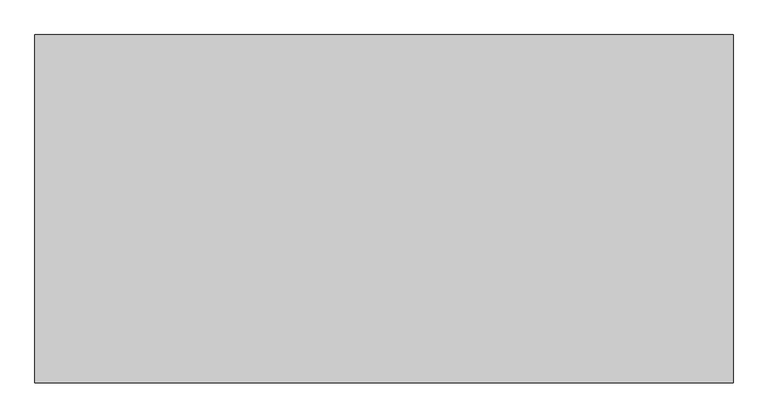
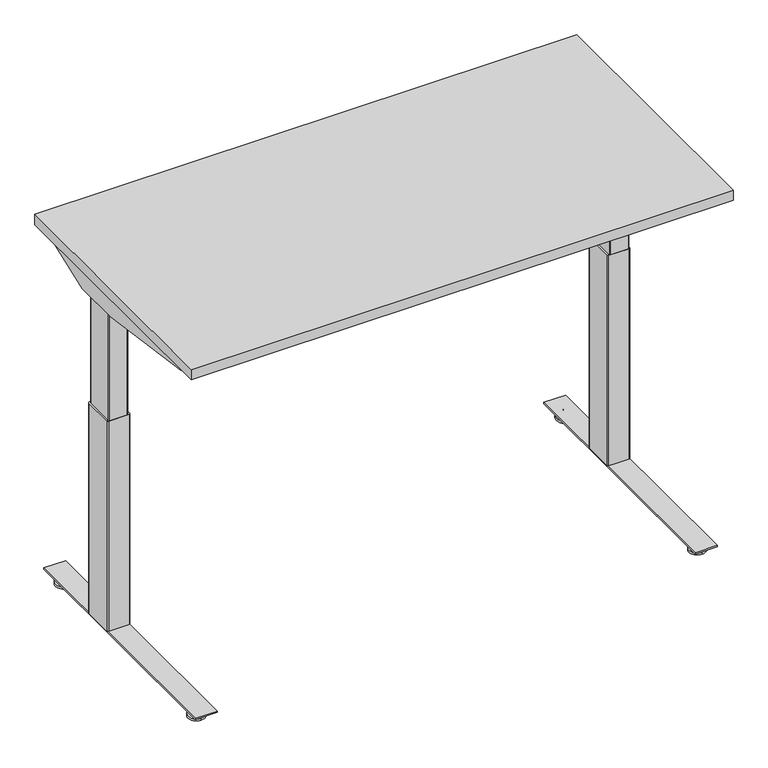
"""IFC4 building model written with IfcOpenShell, lengths in millimetres: furniture geometry."""

from ifc_helpers import new_model, si_unit, point, frame, frame_2d, origin, place, context, project, spatial, polyline, circle_curve, trimmed, segment, composite_curve, outline, extrude, source, transform, mapped, element, save
from ifc_brep_helpers import plane_surface, cylinder_surface, revolved_surface, advanced_brep


def furniture_a51017b5(model_context):
    return source(origin(), model_context, "Body", "SolidModel", [
        extrude(outline(composite_curve([segment(polyline([(24.0299808, 91.9126008), (24.0299808, 89.2526023), (15.0465732, 89.2526023)]), True, "CONTINUOUS"), segment(trimmed(circle_curve(frame_2d((15.0465732, 88.1760101)), 1.0765922), [point((15.0465732, 89.2526023))], [point((13.969981, 88.1760101))], True, "CARTESIAN"), True, "CONTINUOUS"), segment(polyline([(13.969981, 88.1760101), (13.969981, 57.733733)]), True, "CONTINUOUS"), segment(trimmed(circle_curve(frame_2d((14.981112, 57.733733)), 1.011131), [point((13.969981, 57.733733))], [point((14.981112, 56.7226021))], True, "CARTESIAN"), True, "CONTINUOUS"), segment(polyline([(14.981112, 56.7226021), (24.0299808, 56.7226021), (24.0299808, 54.0625991), (14.9699813, 54.0625991), (13.1399808, 54.5529489), (11.8003278, 55.8926019), (11.3099815, 57.7226046), (11.3099815, 88.2526043), (11.8003278, 90.0826025), (13.1399808, 91.4222555), (14.9699813, 91.9126008), (24.0299808, 91.9126008)]), True, "CONTINUOUS")], self_intersect=False)), frame((0.0, -646.1468746, 0.0), z_axis=(0.0, 1.0, 0.0), x_axis=(0.0, 0.0, 1.0)), (0.0, 0.0, 1.0), 507.9999924),
        advanced_brep(
        [(71.6136021, -726.0252467, 9.1e-06), (71.6136021, -703.4479001, 9.1e-06), (71.6136021, -680.8705535, 9.1e-06), (71.6136021, -726.0109304, 5.8932313), (71.6136021, -680.8848697, 5.8932313), (71.6136021, -706.9684154, 9.6997702), (71.6136021, -699.9273847, 9.6997702), (71.6136021, -706.9684154, 23.9856018), (71.6136021, -699.9273847, 23.9856018), (71.6136021, -703.4479001, 23.9856018)],
        [
            (0, 1),
            (1, 2),
            (2, 0, circle_curve(frame((71.6136021, -703.4479001, 9.1e-06), z_axis=(0.0, 0.0, -1.0), x_axis=(0.0, 1.0, 0.0)), 22.5773466)),
            (0, 2, circle_curve(frame((71.6136021, -703.4479001, 9.1e-06), z_axis=(0.0, 0.0, -1.0), x_axis=(0.0, 1.0, 0.0)), 22.5773466)),
            (3, 0),
            (2, 4),
            (4, 3, circle_curve(frame((71.6136021, -703.4479001, 5.8932313), z_axis=(0.0, 0.0, -1.0), x_axis=(0.0, 1.0, 0.0)), 22.5630303)),
            (3, 4, circle_curve(frame((71.6136021, -703.4479001, 5.8932313), z_axis=(0.0, 0.0, -1.0), x_axis=(0.0, 1.0, 0.0)), 22.5630303)),
            (5, 3),
            (4, 6),
            (6, 5, circle_curve(frame((71.6136021, -703.4479001, 9.6997702), z_axis=(0.0, 0.0, -1.0), x_axis=(0.0, 1.0, 0.0)), 3.5205153)),
            (5, 6, circle_curve(frame((71.6136021, -703.4479001, 9.6997702), z_axis=(0.0, 0.0, -1.0), x_axis=(0.0, 1.0, 0.0)), 3.5205153)),
            (7, 5),
            (6, 8),
            (8, 7, circle_curve(frame((71.6136021, -703.4479001, 23.9856018), z_axis=(0.0, 0.0, -1.0), x_axis=(0.0, 1.0, 0.0)), 3.5205153)),
            (7, 8, circle_curve(frame((71.6136021, -703.4479001, 23.9856018), z_axis=(0.0, 0.0, -1.0), x_axis=(0.0, 1.0, 0.0)), 3.5205153)),
            (9, 7),
            (8, 9),
        ],
        [
            plane_surface(frame((71.6136021, -703.4479001, 9.1e-06), z_axis=(0.0, 0.0, -1.0), x_axis=(0.0, 1.0, 0.0))),
            revolved_surface(polyline([(71.6136021, -680.8705535, 9.1e-06), (71.6136021, -680.8848697, 5.8932313)]), (71.6136021, -703.4479001, -6.3499909), (0.0, 0.0, 1.0)),
            revolved_surface(polyline([(71.6136021, -680.8848697, 5.8932313), (71.6136021, -699.9273847, 9.6997702)]), (71.6136021, -703.4479001, -6.3499909), (0.0, 0.0, 1.0)),
            cylinder_surface(frame((71.6136021, -703.4479001, -6.3499909), z_axis=(0.0, 0.0, 1.0), x_axis=(0.0, 1.0, 0.0)), 3.5205153),
            plane_surface(frame((71.6136021, -703.4479001, 23.9856018), z_axis=(0.0, 0.0, 1.0), x_axis=(0.0, 1.0, 0.0))),
        ],
        [
            (0, [[1, 2, 3]]),
            (0, [[-2, -1, 4]]),
            (1, [[5, -3, 6, 7]]),
            (1, [[-6, -4, -5, 8]]),
            (2, [[9, -7, 10, 11]]),
            (2, [[-10, -8, -9, 12]]),
            (3, [[13, -11, 14, 15]]),
            (3, [[-14, -12, -13, 16]]),
            (4, [[17, -15, 18]]),
            (4, [[-18, -16, -17]]),
        ],
    ),
        advanced_brep(
        [(71.6136021, -80.677371, 23.9447896), (71.6136021, -84.2813634, 23.9447896), (71.6136021, -77.0733786, 23.9447896), (71.6136021, -103.3167838, 9.1e-06), (71.6136021, -80.677371, 9.1e-06), (71.6136021, -58.0379582, 9.1e-06), (71.6136021, -103.3024934, 5.8932313), (71.6136021, -58.0522486, 5.8932313), (71.6136021, -84.2599821, 9.6997702), (71.6136021, -77.0947599, 9.6997702)],
        [
            (0, 1),
            (1, 2, circle_curve(frame((71.6136021, -80.677371, 23.9447896), z_axis=(0.0, 0.0, 1.0), x_axis=(0.0, 1.0, 0.0)), 3.6039924)),
            (2, 0),
            (2, 1, circle_curve(frame((71.6136021, -80.677371, 23.9447896), z_axis=(0.0, 0.0, 1.0), x_axis=(0.0, 1.0, 0.0)), 3.6039924)),
            (3, 4),
            (4, 5),
            (5, 3, circle_curve(frame((71.6136021, -80.677371, 9.1e-06), z_axis=(0.0, 0.0, -1.0), x_axis=(0.0, 1.0, 0.0)), 22.6394128)),
            (3, 5, circle_curve(frame((71.6136021, -80.677371, 9.1e-06), z_axis=(0.0, 0.0, -1.0), x_axis=(0.0, 1.0, 0.0)), 22.6394128)),
            (6, 3),
            (5, 7),
            (7, 6, circle_curve(frame((71.6136021, -80.677371, 5.8932313), z_axis=(0.0, 0.0, -1.0), x_axis=(0.0, 1.0, 0.0)), 22.6251224)),
            (6, 7, circle_curve(frame((71.6136021, -80.677371, 5.8932313), z_axis=(0.0, 0.0, -1.0), x_axis=(0.0, 1.0, 0.0)), 22.6251224)),
            (8, 6),
            (7, 9),
            (9, 8, circle_curve(frame((71.6136021, -80.677371, 9.6997702), z_axis=(0.0, 0.0, -1.0), x_axis=(0.0, 1.0, 0.0)), 3.5826111)),
            (8, 9, circle_curve(frame((71.6136021, -80.677371, 9.6997702), z_axis=(0.0, 0.0, -1.0), x_axis=(0.0, 1.0, 0.0)), 3.5826111)),
            (1, 8),
            (9, 2),
        ],
        [
            plane_surface(frame((71.6136021, -80.677371, 23.9447896), z_axis=(0.0, 0.0, 1.0), x_axis=(0.0, 1.0, 0.0))),
            plane_surface(frame((71.6136021, -80.677371, 9.1e-06), z_axis=(0.0, 0.0, -1.0), x_axis=(0.0, 1.0, 0.0))),
            revolved_surface(polyline([(71.6136021, -58.0379582, 9.1e-06), (71.6136021, -58.0522486, 5.8932313)]), (71.6136021, -80.677371, -4.2199069), (0.0, 0.0, 1.0)),
            revolved_surface(polyline([(71.6136021, -58.0522486, 5.8932313), (71.6136021, -77.0947599, 9.6997702)]), (71.6136021, -80.677371, -4.2199069), (0.0, 0.0, 1.0)),
            cylinder_surface(frame((71.6136021, -80.677371, -4.2199069), z_axis=(0.0, 0.0, 1.0), x_axis=(0.0, 1.0, 0.0)), 3.5617141),
        ],
        [
            (0, [[1, 2, 3]]),
            (0, [[-3, 4, -1]]),
            (1, [[5, 6, 7]]),
            (1, [[-6, -5, 8]]),
            (2, [[9, -7, 10, 11]]),
            (2, [[-10, -8, -9, 12]]),
            (3, [[13, -11, 14, 15]]),
            (3, [[-14, -12, -13, 16]]),
            (4, [[17, -15, 18, -2]]),
            (4, [[-18, -16, -17, -4]]),
        ],
    ),
        extrude(outline(polyline([(42.9876029, -36.5468837), (102.9576025, -36.5468837), (102.9576025, -747.7468867), (42.9876029, -747.7468867), (42.9876029, -36.5468837)])), frame((0.0, 0.0, 24.0299808), z_axis=(0.0, 0.0, 1.0), x_axis=(1.0, 0.0, 0.0)), (0.0, 0.0, 1.0), 4.1800001),
        extrude(outline(composite_curve([segment(polyline([(98.1047994, -253.1740482), (98.1047994, -335.6776259)]), True, "CONTINUOUS"), segment(trimmed(circle_curve(frame_2d((95.8187994, -335.6776259)), 2.286), [point((98.1047994, -335.6776259))], [point((95.8187994, -337.9636259))], False, "CARTESIAN"), True, "CONTINUOUS"), segment(polyline([(95.8187994, -337.9636259), (47.5023125, -337.9636259)]), True, "CONTINUOUS"), segment(trimmed(circle_curve(frame_2d((47.5023125, -335.6776259)), 2.286), [point((47.5023125, -337.9636259))], [point((45.2163125, -335.6776259))], False, "CARTESIAN"), True, "CONTINUOUS"), segment(polyline([(45.2163125, -335.6776259), (45.2163125, -253.0141955)]), True, "CONTINUOUS"), segment(trimmed(circle_curve(frame_2d((47.5023125, -253.1740482)), 2.2915822), [point((45.2163125, -253.0141955))], [point((47.3424598, -250.8880482))], False, "CARTESIAN"), True, "CONTINUOUS"), segment(polyline([(47.3424598, -250.8880482), (95.8187994, -250.8880482)]), True, "CONTINUOUS"), segment(trimmed(circle_curve(frame_2d((95.8187994, -253.1740482)), 2.286), [point((95.8187994, -250.8880482))], [point((98.1047994, -253.1740482))], False, "CARTESIAN"), True, "CONTINUOUS")], self_intersect=False)), frame((0.0, 0.0, 631.6980091), z_axis=(0.0, 0.0, 1.0), x_axis=(1.0, 0.0, 0.0)), (0.0, 0.0, 1.0), 368.3819446),
        extrude(outline(composite_curve([segment(polyline([(44.6584207, -247.961107), (100.2656021, -247.961107)]), True, "CONTINUOUS"), segment(trimmed(circle_curve(frame_2d((100.2656021, -251.009107)), 3.048), [point((100.2656021, -247.961107))], [point((103.3136021, -251.009107))], False, "CARTESIAN"), True, "CONTINUOUS"), segment(polyline([(103.3136021, -251.009107), (103.3136021, -334.907113)]), True, "CONTINUOUS"), segment(trimmed(circle_curve(frame_2d((100.2656021, -334.907113)), 3.048), [point((103.3136021, -334.907113))], [point((100.2635382, -337.9551123))], False, "CARTESIAN"), True, "CONTINUOUS"), segment(polyline([(100.2635382, -337.9551123), (44.638999, -337.9174476)]), True, "CONTINUOUS"), segment(trimmed(circle_curve(frame_2d((44.6410511, -334.886818)), 3.0306304), [point((44.638999, -337.9174476))], [point((41.6104207, -334.886818))], False, "CARTESIAN"), True, "CONTINUOUS"), segment(polyline([(41.6104207, -334.886818), (41.6104207, -251.009107)]), True, "CONTINUOUS"), segment(trimmed(circle_curve(frame_2d((44.6584207, -251.009107)), 3.048), [point((41.6104207, -251.009107))], [point((44.6584207, -247.961107))], False, "CARTESIAN"), True, "CONTINUOUS")], self_intersect=False)), frame((0.0, 0.0, 28.209981), z_axis=(0.0, 0.0, 1.0), x_axis=(1.0, 0.0, 0.0)), (0.0, 0.0, 1.0), 603.4880281),
        extrude(outline(composite_curve([segment(polyline([(24.0299717, 1409.9357036), (14.9699722, 1409.9357036), (13.1399717, 1410.4260488), (11.8003187, 1411.7657018), (11.3099724, 1413.5957), (11.3099724, 1444.1256997), (11.8003187, 1445.9557024), (13.1399717, 1447.2953554), (14.9699722, 1447.7857052), (24.0299717, 1447.7857052), (24.0299717, 1445.1257022), (14.9811029, 1445.1257022)]), True, "CONTINUOUS"), segment(trimmed(circle_curve(frame_2d((14.9811029, 1444.1145713)), 1.011131), [point((14.9811029, 1445.1257022))], [point((13.9699719, 1444.1145713))], True, "CARTESIAN"), True, "CONTINUOUS"), segment(polyline([(13.9699719, 1444.1145713), (13.9699719, 1413.6722942)]), True, "CONTINUOUS"), segment(trimmed(circle_curve(frame_2d((15.0465641, 1413.6722942)), 1.0765922), [point((13.9699719, 1413.6722942))], [point((15.0465641, 1412.595702))], True, "CARTESIAN"), True, "CONTINUOUS"), segment(polyline([(15.0465641, 1412.595702), (24.0299717, 1412.595702), (24.0299717, 1409.9357036)]), True, "CONTINUOUS")], self_intersect=False)), frame((0.0, -646.1468746, 0.0), z_axis=(0.0, 1.0, 0.0), x_axis=(0.0, 0.0, 1.0)), (0.0, 0.0, 1.0), 507.9999924),
        advanced_brep(
        [(1430.2347023, -726.0252467, 0.0), (1430.2347023, -680.8705535, 0.0), (1430.2347023, -703.4479001, 0.0), (1430.2347023, -726.0109304, 5.8932222), (1430.2347023, -680.8848697, 5.8932222), (1430.2347023, -706.9684154, 9.6997611), (1430.2347023, -699.9273847, 9.6997611), (1430.2347023, -706.9684154, 23.9855927), (1430.2347023, -699.9273847, 23.9855927), (1430.2347023, -703.4479001, 23.9855927)],
        [
            (0, 1, circle_curve(frame((1430.2347023, -703.4479001, 0.0), z_axis=(0.0, 0.0, -1.0), x_axis=(0.0, 1.0, 0.0)), 22.5773466)),
            (1, 2),
            (2, 0),
            (1, 0, circle_curve(frame((1430.2347023, -703.4479001, 0.0), z_axis=(0.0, 0.0, -1.0), x_axis=(0.0, 1.0, 0.0)), 22.5773466)),
            (3, 4, circle_curve(frame((1430.2347023, -703.4479001, 5.8932222), z_axis=(0.0, 0.0, -1.0), x_axis=(0.0, 1.0, 0.0)), 22.5630303)),
            (4, 1),
            (0, 3),
            (4, 3, circle_curve(frame((1430.2347023, -703.4479001, 5.8932222), z_axis=(0.0, 0.0, -1.0), x_axis=(0.0, 1.0, 0.0)), 22.5630303)),
            (5, 6, circle_curve(frame((1430.2347023, -703.4479001, 9.6997611), z_axis=(0.0, 0.0, -1.0), x_axis=(0.0, 1.0, 0.0)), 3.5205153)),
            (6, 4),
            (3, 5),
            (6, 5, circle_curve(frame((1430.2347023, -703.4479001, 9.6997611), z_axis=(0.0, 0.0, -1.0), x_axis=(0.0, 1.0, 0.0)), 3.5205153)),
            (7, 8, circle_curve(frame((1430.2347023, -703.4479001, 23.9855927), z_axis=(0.0, 0.0, -1.0), x_axis=(0.0, 1.0, 0.0)), 3.5205153)),
            (8, 6),
            (5, 7),
            (8, 7, circle_curve(frame((1430.2347023, -703.4479001, 23.9855927), z_axis=(0.0, 0.0, -1.0), x_axis=(0.0, 1.0, 0.0)), 3.5205153)),
            (9, 8),
            (7, 9),
        ],
        [
            plane_surface(frame((1430.2347023, -703.4479001, 0.0), z_axis=(0.0, 0.0, -1.0), x_axis=(0.0, 1.0, 0.0))),
            revolved_surface(polyline([(1430.2347023, -680.8705535, 0.0), (1430.2347023, -680.8848697, 5.8932222)]), (1430.2347023, -703.4479001, -6.35), (0.0, 0.0, 1.0)),
            revolved_surface(polyline([(1430.2347023, -680.8848697, 5.8932222), (1430.2347023, -699.9273847, 9.6997611)]), (1430.2347023, -703.4479001, -6.35), (0.0, 0.0, 1.0)),
            cylinder_surface(frame((1430.2347023, -703.4479001, -6.35), z_axis=(0.0, 0.0, 1.0), x_axis=(0.0, 1.0, 0.0)), 3.5205153),
            plane_surface(frame((1430.2347023, -703.4479001, 23.9855927), z_axis=(0.0, 0.0, 1.0), x_axis=(0.0, 1.0, 0.0))),
        ],
        [
            (0, [[1, 2, 3]]),
            (0, [[4, -3, -2]]),
            (1, [[5, 6, -1, 7]]),
            (1, [[8, -7, -4, -6]]),
            (2, [[9, 10, -5, 11]]),
            (2, [[12, -11, -8, -10]]),
            (3, [[13, 14, -9, 15]]),
            (3, [[16, -15, -12, -14]]),
            (4, [[17, -13, 18]]),
            (4, [[-18, -16, -17]]),
        ],
    ),
        advanced_brep(
        [(1430.2347023, -80.677371, 23.9447805), (1430.2347023, -77.0733786, 23.9447805), (1430.2347023, -84.2813634, 23.9447805), (1430.2347023, -103.3167838, 0.0), (1430.2347023, -58.0379582, 0.0), (1430.2347023, -80.677371, 0.0), (1430.2347023, -103.3024934, 5.8932222), (1430.2347023, -58.0522486, 5.8932222), (1430.2347023, -84.2599821, 9.6997611), (1430.2347023, -77.0947599, 9.6997611)],
        [
            (0, 1),
            (1, 2, circle_curve(frame((1430.2347023, -80.677371, 23.9447805), z_axis=(0.0, 0.0, 1.0), x_axis=(0.0, 1.0, 0.0)), 3.6039924)),
            (2, 0),
            (2, 1, circle_curve(frame((1430.2347023, -80.677371, 23.9447805), z_axis=(0.0, 0.0, 1.0), x_axis=(0.0, 1.0, 0.0)), 3.6039924)),
            (3, 4, circle_curve(frame((1430.2347023, -80.677371, 0.0), z_axis=(0.0, 0.0, -1.0), x_axis=(0.0, 1.0, 0.0)), 22.6394128)),
            (4, 5),
            (5, 3),
            (4, 3, circle_curve(frame((1430.2347023, -80.677371, 0.0), z_axis=(0.0, 0.0, -1.0), x_axis=(0.0, 1.0, 0.0)), 22.6394128)),
            (6, 7, circle_curve(frame((1430.2347023, -80.677371, 5.8932222), z_axis=(0.0, 0.0, -1.0), x_axis=(0.0, 1.0, 0.0)), 22.6251224)),
            (7, 4),
            (3, 6),
            (7, 6, circle_curve(frame((1430.2347023, -80.677371, 5.8932222), z_axis=(0.0, 0.0, -1.0), x_axis=(0.0, 1.0, 0.0)), 22.6251224)),
            (8, 9, circle_curve(frame((1430.2347023, -80.677371, 9.6997611), z_axis=(0.0, 0.0, -1.0), x_axis=(0.0, 1.0, 0.0)), 3.5826111)),
            (9, 7),
            (6, 8),
            (9, 8, circle_curve(frame((1430.2347023, -80.677371, 9.6997611), z_axis=(0.0, 0.0, -1.0), x_axis=(0.0, 1.0, 0.0)), 3.5826111)),
            (1, 9),
            (8, 2),
        ],
        [
            plane_surface(frame((1430.2347023, -80.677371, 23.9447805), z_axis=(0.0, 0.0, 1.0), x_axis=(0.0, 1.0, 0.0))),
            plane_surface(frame((1430.2347023, -80.677371, 0.0), z_axis=(0.0, 0.0, -1.0), x_axis=(0.0, 1.0, 0.0))),
            revolved_surface(polyline([(1430.2347023, -58.0379582, 0.0), (1430.2347023, -58.0522486, 5.8932222)]), (1430.2347023, -80.677371, -4.219916), (0.0, 0.0, 1.0)),
            revolved_surface(polyline([(1430.2347023, -58.0522486, 5.8932222), (1430.2347023, -77.0947599, 9.6997611)]), (1430.2347023, -80.677371, -4.219916), (0.0, 0.0, 1.0)),
            cylinder_surface(frame((1430.2347023, -80.677371, -4.219916), z_axis=(0.0, 0.0, 1.0), x_axis=(0.0, 1.0, 0.0)), 3.5617141),
        ],
        [
            (0, [[1, 2, 3]]),
            (0, [[-3, 4, -1]]),
            (1, [[5, 6, 7]]),
            (1, [[8, -7, -6]]),
            (2, [[9, 10, -5, 11]]),
            (2, [[12, -11, -8, -10]]),
            (3, [[13, 14, -9, 15]]),
            (3, [[16, -15, -12, -14]]),
            (4, [[-2, 17, -13, 18]]),
            (4, [[-4, -18, -16, -17]]),
        ],
    ),
        extrude(outline(polyline([(1458.8607014, -36.5468837), (1458.8607014, -747.7468867), (1398.8907019, -747.7468867), (1398.8907019, -36.5468837), (1458.8607014, -36.5468837)])), frame((0.0, 0.0, 24.0299717), z_axis=(0.0, 0.0, 1.0), x_axis=(1.0, 0.0, 0.0)), (0.0, 0.0, 1.0), 4.1800001),
        extrude(outline(composite_curve([segment(trimmed(circle_curve(frame_2d((1406.0295049, -253.1740482)), 2.286), [point((1403.7435049, -253.1740482))], [point((1406.0295049, -250.8880482))], False, "CARTESIAN"), True, "CONTINUOUS"), segment(polyline([(1406.0295049, -250.8880482), (1454.5058445, -250.8880482)]), True, "CONTINUOUS"), segment(trimmed(circle_curve(frame_2d((1454.3459918, -253.1740482)), 2.2915822), [point((1454.5058445, -250.8880482))], [point((1456.6319918, -253.0141955))], False, "CARTESIAN"), True, "CONTINUOUS"), segment(polyline([(1456.6319918, -253.0141955), (1456.6319918, -335.6776259)]), True, "CONTINUOUS"), segment(trimmed(circle_curve(frame_2d((1454.3459918, -335.6776259)), 2.286), [point((1456.6319918, -335.6776259))], [point((1454.3459918, -337.9636259))], False, "CARTESIAN"), True, "CONTINUOUS"), segment(polyline([(1454.3459918, -337.9636259), (1406.0295049, -337.9636259)]), True, "CONTINUOUS"), segment(trimmed(circle_curve(frame_2d((1406.0295049, -335.6776259)), 2.286), [point((1406.0295049, -337.9636259))], [point((1403.7435049, -335.6776259))], False, "CARTESIAN"), True, "CONTINUOUS"), segment(polyline([(1403.7435049, -335.6776259), (1403.7435049, -253.1740482)]), True, "CONTINUOUS")], self_intersect=False)), frame((0.0, 0.0, 631.698), z_axis=(0.0, 0.0, 1.0), x_axis=(1.0, 0.0, 0.0)), (0.0, 0.0, 1.0), 368.3819446),
        extrude(outline(composite_curve([segment(trimmed(circle_curve(frame_2d((1457.1898836, -251.009107)), 3.048), [point((1457.1898836, -247.961107))], [point((1460.2378836, -251.009107))], False, "CARTESIAN"), True, "CONTINUOUS"), segment(polyline([(1460.2378836, -251.009107), (1460.2378836, -334.886818)]), True, "CONTINUOUS"), segment(trimmed(circle_curve(frame_2d((1457.2072532, -334.886818)), 3.0306304), [point((1460.2378836, -334.886818))], [point((1457.2093053, -337.9174476))], False, "CARTESIAN"), True, "CONTINUOUS"), segment(polyline([(1457.2093053, -337.9174476), (1401.5847661, -337.9551123)]), True, "CONTINUOUS"), segment(trimmed(circle_curve(frame_2d((1401.5827022, -334.907113)), 3.048), [point((1401.5847661, -337.9551123))], [point((1398.5347022, -334.907113))], False, "CARTESIAN"), True, "CONTINUOUS"), segment(polyline([(1398.5347022, -334.907113), (1398.5347022, -251.009107)]), True, "CONTINUOUS"), segment(trimmed(circle_curve(frame_2d((1401.5827022, -251.009107)), 3.048), [point((1398.5347022, -251.009107))], [point((1401.5827022, -247.961107))], False, "CARTESIAN"), True, "CONTINUOUS"), segment(polyline([(1401.5827022, -247.961107), (1457.1898836, -247.961107)]), True, "CONTINUOUS")], self_intersect=False)), frame((0.0, 0.0, 28.2099719), z_axis=(0.0, 0.0, 1.0), x_axis=(1.0, 0.0, 0.0)), (0.0, 0.0, 1.0), 603.4880281),
        extrude(outline(composite_curve([segment(polyline([(-250.4581839, 963.6786781), (-338.7697314, 963.6786781)]), True, "CONTINUOUS"), segment(trimmed(circle_curve(frame_2d((-338.7697314, 966.6561465)), 2.9774683), [point((-338.7697314, 963.6786781))], [point((-341.7471997, 966.6561465))], False, "CARTESIAN"), True, "CONTINUOUS"), segment(polyline([(-341.7471997, 966.6561465), (-341.7471997, 1011.5295758), (-339.8471704, 1011.5295758), (-339.8471704, 966.5405996)]), True, "CONTINUOUS"), segment(trimmed(circle_curve(frame_2d((-338.8852783, 966.5405996)), 0.9618921), [point((-339.8471704, 966.5405996))], [point((-338.8852783, 965.5787075))], True, "CARTESIAN"), True, "CONTINUOUS"), segment(polyline([(-338.8852783, 965.5787075), (-250.3633297, 965.5787075)]), True, "CONTINUOUS"), segment(trimmed(circle_curve(frame_2d((-250.3633297, 966.6948418)), 1.1161343), [point((-250.3633297, 965.5787075))], [point((-249.2471954, 966.6948418))], True, "CARTESIAN"), True, "CONTINUOUS"), segment(polyline([(-249.2471954, 966.6948418), (-249.2471954, 1011.5295758), (-247.3471842, 1011.5295758), (-247.3471842, 966.7896778)]), True, "CONTINUOUS"), segment(trimmed(circle_curve(frame_2d((-250.4581839, 966.7896778)), 3.1109997), [point((-247.3471842, 966.7896778))], [point((-250.4581839, 963.6786781))], False, "CARTESIAN"), True, "CONTINUOUS")], self_intersect=False)), frame((103.3136021, 0.0, 0.0), z_axis=(1.0, 0.0, 0.0), x_axis=(0.0, 1.0, 0.0)), (0.0, 0.0, 1.0), 1295.2211001),
        extrude(outline(polyline([(-688.1042925, 1011.5295758), (-96.2085395, 1011.5295758), (-96.2085395, 992.4629882), (-225.3003514, 945.4513622), (-361.6074771, 945.4513622), (-688.1042925, 991.2222147), (-688.1042925, 1011.5295758)])), frame((38.1482286, 0.0, 0.0), z_axis=(1.0, 0.0, 0.0), x_axis=(0.0, 1.0, 0.0)), (0.0, 0.0, 1.0), 1.8999567),
        extrude(outline(polyline([(-688.1042925, 1011.5295758), (-96.247586, 1011.5295758), (-96.247586, 992.4487686), (-225.3003514, 945.4513622), (-361.6074771, 945.4513622), (-688.1042925, 991.2222147), (-688.1042925, 1011.5295758)])), frame((1480.8760334, 0.0, 0.0), z_axis=(1.0, 0.0, 0.0), x_axis=(0.0, 1.0, 0.0)), (0.0, 0.0, 1.0), 1.8999567),
        extrude(outline(polyline([(25.4000008, -25.4000008), (1495.5520271, -25.4000008), (1495.5520271, -758.9520029), (25.4000008, -758.9520029), (25.4000008, -25.4000008)])), frame((0.0, 0.0, 1011.5295758), z_axis=(0.0, 0.0, 1.0), x_axis=(1.0, 0.0, 0.0)), (0.0, 0.0, 1.0), 29.8704242),
    ])


if __name__ == "__main__":
    model = new_model("IFC4")
    model_context = context("Model", 3, world=origin())
    ifc_project = project(units=[si_unit("LENGTHUNIT", "METRE", prefix="MILLI")], contexts=[model_context])
    site = spatial("IfcSite", under=ifc_project)
    building = spatial("IfcBuilding", under=site)
    placement = place(None, origin())
    furniture_shape = furniture_a51017b5(model_context)
    element("IfcFurniture", 1, at=placement, inside=building, context=model_context, shape_type="MappedRepresentation", body=[
        mapped(furniture_shape, transform((0.0, 0.0, 0.0), x_axis=(1.0, 0.0, 0.0), y_axis=(0.0, 1.0, 0.0), z_axis=(0.0, 0.0, 1.0))),
    ])
    save(model, "model.ifc")
